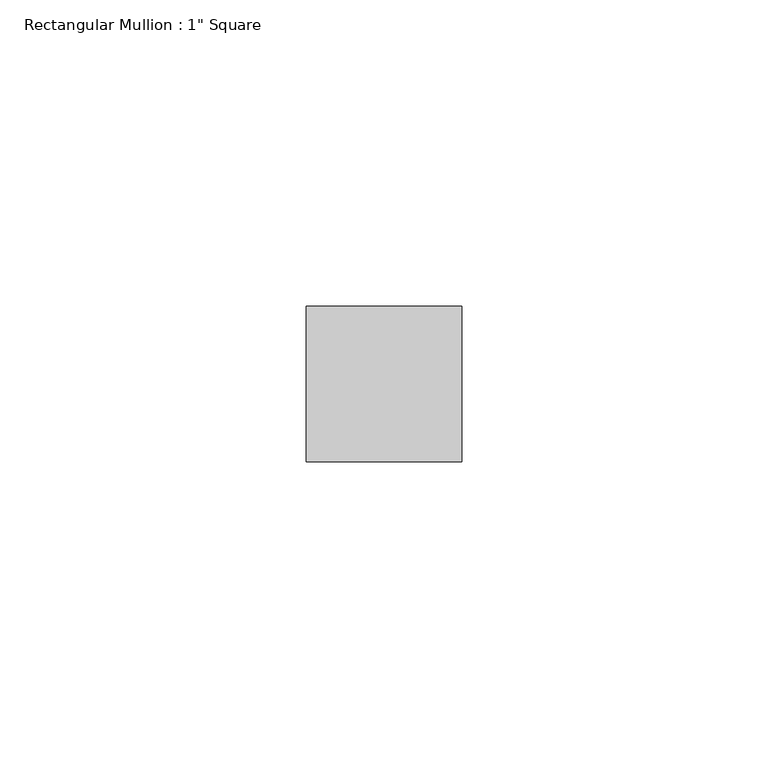
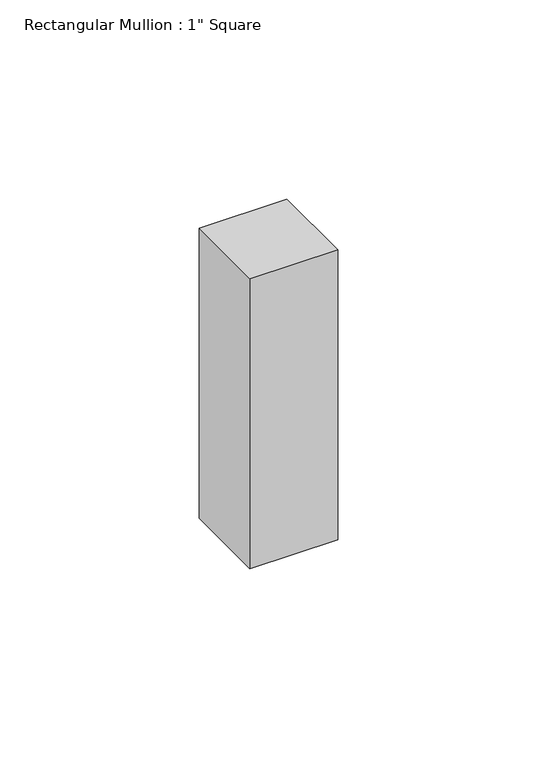
"""IFC4 building model written with IfcOpenShell, lengths in millimetres: member geometry."""

import ifcopenshell
import ifcopenshell.guid

model = None  # the IFC model being written
_history = None  # IfcOwnerHistory: only IFC2X3 demands one
_inside = {}  # id of a spatial element -> (the spatial element, [elements in it])
_under = {}  # id of a project, library or spatial element -> (it, [spatial elements below it])
_declared = {}  # id of a project -> (the project, [libraries it declares])
_typed = {}  # id of a type object -> (the type object, [elements of that type])
_made_of = {}  # id of a material, layer set ... -> (it, [elements and type objects made of it])


def new_model(schema):
    """Start an empty IFC model of exactly this schema.

    Asked for "IFC4X3", IfcOpenShell would pick the latest addendum, in which some entities
    have other attributes; the version numbers below select the first issue.
    IFC2X3 requires an IfcOwnerHistory on every rooted entity: one is made here for all.
    """
    global model, _history
    if schema == "IFC4X3":
        model = ifcopenshell.file(schema_version=(4, 3, 0, 0))
    else:
        model = ifcopenshell.file(schema=schema)
    _inside.clear()
    _under.clear()
    _declared.clear()
    _typed.clear()
    _made_of.clear()
    _history = None
    if model.schema == "IFC2X3":
        org = make("IfcOrganization", Name="unknown")
        user = make(
            "IfcPersonAndOrganization",
            ThePerson=make("IfcPerson", FamilyName="unknown"),
            TheOrganization=org,
        )
        app = make(
            "IfcApplication",
            ApplicationDeveloper=org,
            Version="unknown",
            ApplicationFullName="unknown",
            ApplicationIdentifier="unknown",
        )
        _history = make(
            "IfcOwnerHistory",
            OwningUser=user,
            OwningApplication=app,
            ChangeAction="ADDED",
            CreationDate=0,
        )
    return model


def make(cls, **values):
    """One entity of the class cls with the attributes given. An attribute that is None is left unset."""
    return model.create_entity(
        cls, **{name: value for name, value in values.items() if value is not None}
    )


def rooted(cls, **values):
    """An entity with a GlobalId (a new one), such as an element, a storey or a relation."""
    return make(cls, GlobalId=ifcopenshell.guid.new(), OwnerHistory=_history, **values)


def si_unit(unit_type, name, prefix=None):
    """IfcSIUnit, for example si_unit("LENGTHUNIT", "METRE", prefix="MILLI")."""
    return make("IfcSIUnit", UnitType=unit_type, Prefix=prefix, Name=name)


def assignment(units):
    """IfcUnitAssignment: the units of a project."""
    return None if units is None else make("IfcUnitAssignment", Units=units)


def point(xyz):
    """IfcCartesianPoint."""
    return None if xyz is None else make("IfcCartesianPoint", Coordinates=xyz)


def direction(xyz):
    """IfcDirection."""
    return None if xyz is None else make("IfcDirection", DirectionRatios=xyz)


def frame(location, z_axis=None, x_axis=None):
    """IfcAxis2Placement3D, a coordinate frame: its origin and axes. An axis left out is left unset."""
    return make(
        "IfcAxis2Placement3D",
        Location=point(location),
        Axis=direction(z_axis),
        RefDirection=direction(x_axis),
    )


def origin():
    """The frame at (0, 0, 0) with its axes left unset."""
    return frame((0.0, 0.0, 0.0))


def place(relative_to, where):
    """IfcLocalPlacement: puts the frame where relative to a parent placement (None: the world)."""
    return make(
        "IfcLocalPlacement", PlacementRelTo=relative_to, RelativePlacement=where
    )


def context(
    kind, dimensions, precision=None, world=None, true_north=None, identifier=None
):
    """IfcGeometricRepresentationContext, for example the 3D "Model" context."""
    return make(
        "IfcGeometricRepresentationContext",
        ContextIdentifier=identifier,
        ContextType=kind,
        CoordinateSpaceDimension=dimensions,
        Precision=precision,
        WorldCoordinateSystem=world,
        TrueNorth=true_north,
    )


def project(units=None, contexts=None):
    """IfcProject with its units and contexts."""
    return rooted(
        "IfcProject",
        Name="project",
        RepresentationContexts=contexts,
        UnitsInContext=assignment(units),
    )


def spatial(cls, under=None, at=None, **own):
    """A site, building, storey or space (cls), placed at a placement, below another one or the project."""
    s = rooted(cls, ObjectPlacement=at, **own)
    if under is not None:
        _under.setdefault(under.id(), (under, []))[1].append(s)
    return s


def polyline(points):
    """IfcPolyline through the points."""
    return make("IfcPolyline", Points=[point(p) for p in points])


def outline(outer, holes=None, kind="AREA"):
    """IfcArbitraryClosedProfileDef: a profile drawn as a closed curve; with holes, ...WithVoids."""
    if holes is None:
        return make("IfcArbitraryClosedProfileDef", ProfileType=kind, OuterCurve=outer)
    return make(
        "IfcArbitraryProfileDefWithVoids",
        ProfileType=kind,
        OuterCurve=outer,
        InnerCurves=holes,
    )


def extrude(swept, where, along, depth):
    """IfcExtrudedAreaSolid: the profile swept, set in the frame where, extruded along a direction by depth."""
    return make(
        "IfcExtrudedAreaSolid",
        SweptArea=swept,
        Position=where,
        ExtrudedDirection=direction(along),
        Depth=depth,
    )


def shape(context_of_items, identifier, shape_type, items):
    """IfcShapeRepresentation: the items that make up one representation, for example the "Body"."""
    return make(
        "IfcShapeRepresentation",
        ContextOfItems=context_of_items,
        RepresentationIdentifier=identifier,
        RepresentationType=shape_type,
        Items=items,
    )


def source(mapping_origin, context_of_items, identifier, shape_type, items):
    """IfcRepresentationMap: a shape defined once, which mapped items show again and again."""
    return make(
        "IfcRepresentationMap",
        MappingOrigin=mapping_origin,
        MappedRepresentation=shape(context_of_items, identifier, shape_type, items),
    )


def transform(
    local_origin,
    x_axis=None,
    y_axis=None,
    z_axis=None,
    scale=None,
    scale2=None,
    scale3=None,
    uniform=True,
):
    """IfcCartesianTransformationOperator3D, or its non-uniform kind. x_axis, y_axis, z_axis: its Axis1, 2, 3."""
    if uniform:
        return make(
            "IfcCartesianTransformationOperator3D",
            Axis1=direction(x_axis),
            Axis2=direction(y_axis),
            LocalOrigin=point(local_origin),
            Scale=scale,
            Axis3=direction(z_axis),
        )
    return make(
        "IfcCartesianTransformationOperator3DnonUniform",
        Axis1=direction(x_axis),
        Axis2=direction(y_axis),
        LocalOrigin=point(local_origin),
        Scale=scale,
        Axis3=direction(z_axis),
        Scale2=scale2,
        Scale3=scale3,
    )


def mapped(mapping_source, mapping_target):
    """IfcMappedItem: shows the shape of a source again, moved by a transform."""
    return make(
        "IfcMappedItem", MappingSource=mapping_source, MappingTarget=mapping_target
    )


def made_of(thing, what):
    """Note that an element or type object is made of a material, layer set ...; save() writes the relation."""
    if what is not None:
        _made_of.setdefault(what.id(), (what, []))[1].append(thing)
    return thing


def element(
    cls,
    number,
    at=None,
    inside=None,
    cuts=None,
    type_object=None,
    material=None,
    context=None,
    identifier="Body",
    shape_type=None,
    held_by="IfcProductDefinitionShape",
    body=None,
    shapes=None,
    **own,
):
    """One element of the class cls, such as IfcWall. Its Tag is "e" and its number.

    at: its placement. inside: the storey or other place that contains it. cuts: it is an
    opening in that element (IfcRelVoidsElement). A single representation is given by context,
    identifier, shape_type and body (its items); several are given by shapes. held_by: the class
    of the entity that holds the representations. save() writes the other relations.
    """
    e = rooted(cls, Tag="e%d" % number, ObjectPlacement=at, **own)
    if body is not None:
        shapes = [shape(context, identifier, shape_type, body)]
    if shapes is not None:
        e.Representation = make(held_by, Representations=shapes)
    if inside is not None:
        _inside.setdefault(inside.id(), (inside, []))[1].append(e)
    if cuts is not None:
        rooted(
            "IfcRelVoidsElement", RelatingBuildingElement=cuts, RelatedOpeningElement=e
        )
    if type_object is not None:
        _typed.setdefault(type_object.id(), (type_object, []))[1].append(e)
    return made_of(e, material)


def aggregate(whole, parts):
    """IfcRelAggregates: a whole, such as a stair, and the parts it consists of."""
    return rooted("IfcRelAggregates", RelatingObject=whole, RelatedObjects=parts)


def save(model, path):
    """Write the relations noted so far, then the file.

    IfcRelAggregates (storeys below a building ...), IfcRelContainedInSpatialStructure (elements
    in a storey), IfcRelDefinesByType, IfcRelAssociatesMaterial and IfcRelDeclares: one each for
    every whole, place, type object, material and project.
    """
    for whole, parts in _under.values():
        aggregate(whole, parts)
    for where, things in _inside.values():
        rooted(
            "IfcRelContainedInSpatialStructure",
            RelatedElements=things,
            RelatingStructure=where,
        )
    for kind, things in _typed.values():
        rooted("IfcRelDefinesByType", RelatedObjects=things, RelatingType=kind)
    for what, things in _made_of.values():
        rooted("IfcRelAssociatesMaterial", RelatedObjects=things, RelatingMaterial=what)
    for by, libraries in _declared.values():
        rooted("IfcRelDeclares", RelatingContext=by, RelatedDefinitions=libraries)
    model.write(path)


def member_a528e602(model_context):
    return source(origin(), model_context, "Body", "SweptSolid", [
        extrude(outline(polyline([(12.7, 12.7), (12.7, -12.7), (-12.7, -12.7), (-12.7, 12.7), (12.7, 12.7)])), frame((0.0, 0.0, -88.9), z_axis=(0.0, 0.0, 1.0), x_axis=(1.0, 0.0, 0.0)), (0.0, 0.0, 1.0), 88.9),
    ])


if __name__ == "__main__":
    model = new_model("IFC4")
    model_context = context("Model", 3, world=origin())
    ifc_project = project(units=[si_unit("LENGTHUNIT", "METRE", prefix="MILLI")], contexts=[model_context])
    site = spatial("IfcSite", under=ifc_project)
    building = spatial("IfcBuilding", under=site)
    placement = place(None, origin())
    member_shape = member_a528e602(model_context)
    element("IfcMember", 1, ObjectType="Rectangular Mullion : 1\" Square", at=placement, inside=building, context=model_context, shape_type="MappedRepresentation", body=[
        mapped(member_shape, transform((0.0, 0.0, 0.0), x_axis=(1.0, 0.0, 0.0), y_axis=(0.0, 1.0, 0.0), z_axis=(0.0, 0.0, 1.0))),
    ])
    save(model, "model.ifc")
